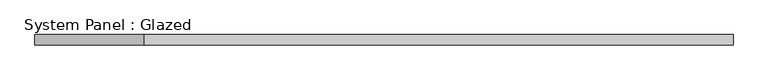
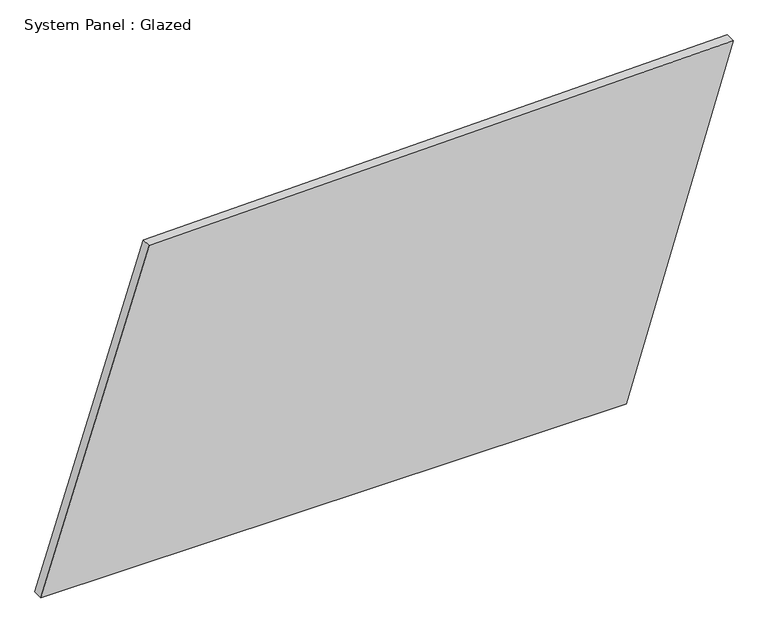
"""IFC4 building model written with IfcOpenShell, lengths in millimetres: plate geometry, System Panel : Glazed."""

import ifcopenshell
import ifcopenshell.guid

model = None  # the IFC model being written
_history = None  # IfcOwnerHistory: only IFC2X3 demands one
_inside = {}  # id of a spatial element -> (the spatial element, [elements in it])
_under = {}  # id of a project, library or spatial element -> (it, [spatial elements below it])
_declared = {}  # id of a project -> (the project, [libraries it declares])
_typed = {}  # id of a type object -> (the type object, [elements of that type])
_made_of = {}  # id of a material, layer set ... -> (it, [elements and type objects made of it])


def new_model(schema):
    """Start an empty IFC model of exactly this schema.

    Asked for "IFC4X3", IfcOpenShell would pick the latest addendum, in which some entities
    have other attributes; the version numbers below select the first issue.
    IFC2X3 requires an IfcOwnerHistory on every rooted entity: one is made here for all.
    """
    global model, _history
    if schema == "IFC4X3":
        model = ifcopenshell.file(schema_version=(4, 3, 0, 0))
    else:
        model = ifcopenshell.file(schema=schema)
    _inside.clear()
    _under.clear()
    _declared.clear()
    _typed.clear()
    _made_of.clear()
    _history = None
    if model.schema == "IFC2X3":
        org = make("IfcOrganization", Name="unknown")
        user = make(
            "IfcPersonAndOrganization",
            ThePerson=make("IfcPerson", FamilyName="unknown"),
            TheOrganization=org,
        )
        app = make(
            "IfcApplication",
            ApplicationDeveloper=org,
            Version="unknown",
            ApplicationFullName="unknown",
            ApplicationIdentifier="unknown",
        )
        _history = make(
            "IfcOwnerHistory",
            OwningUser=user,
            OwningApplication=app,
            ChangeAction="ADDED",
            CreationDate=0,
        )
    return model


def make(cls, **values):
    """One entity of the class cls with the attributes given. An attribute that is None is left unset."""
    return model.create_entity(
        cls, **{name: value for name, value in values.items() if value is not None}
    )


def rooted(cls, **values):
    """An entity with a GlobalId (a new one), such as an element, a storey or a relation."""
    return make(cls, GlobalId=ifcopenshell.guid.new(), OwnerHistory=_history, **values)


def si_unit(unit_type, name, prefix=None):
    """IfcSIUnit, for example si_unit("LENGTHUNIT", "METRE", prefix="MILLI")."""
    return make("IfcSIUnit", UnitType=unit_type, Prefix=prefix, Name=name)


def assignment(units):
    """IfcUnitAssignment: the units of a project."""
    return None if units is None else make("IfcUnitAssignment", Units=units)


def point(xyz):
    """IfcCartesianPoint."""
    return None if xyz is None else make("IfcCartesianPoint", Coordinates=xyz)


def direction(xyz):
    """IfcDirection."""
    return None if xyz is None else make("IfcDirection", DirectionRatios=xyz)


def frame(location, z_axis=None, x_axis=None):
    """IfcAxis2Placement3D, a coordinate frame: its origin and axes. An axis left out is left unset."""
    return make(
        "IfcAxis2Placement3D",
        Location=point(location),
        Axis=direction(z_axis),
        RefDirection=direction(x_axis),
    )


def origin():
    """The frame at (0, 0, 0) with its axes left unset."""
    return frame((0.0, 0.0, 0.0))


def place(relative_to, where):
    """IfcLocalPlacement: puts the frame where relative to a parent placement (None: the world)."""
    return make(
        "IfcLocalPlacement", PlacementRelTo=relative_to, RelativePlacement=where
    )


def context(
    kind, dimensions, precision=None, world=None, true_north=None, identifier=None
):
    """IfcGeometricRepresentationContext, for example the 3D "Model" context."""
    return make(
        "IfcGeometricRepresentationContext",
        ContextIdentifier=identifier,
        ContextType=kind,
        CoordinateSpaceDimension=dimensions,
        Precision=precision,
        WorldCoordinateSystem=world,
        TrueNorth=true_north,
    )


def project(units=None, contexts=None):
    """IfcProject with its units and contexts."""
    return rooted(
        "IfcProject",
        Name="project",
        RepresentationContexts=contexts,
        UnitsInContext=assignment(units),
    )


def spatial(cls, under=None, at=None, **own):
    """A site, building, storey or space (cls), placed at a placement, below another one or the project."""
    s = rooted(cls, ObjectPlacement=at, **own)
    if under is not None:
        _under.setdefault(under.id(), (under, []))[1].append(s)
    return s


def polyline(points):
    """IfcPolyline through the points."""
    return make("IfcPolyline", Points=[point(p) for p in points])


def outline(outer, holes=None, kind="AREA"):
    """IfcArbitraryClosedProfileDef: a profile drawn as a closed curve; with holes, ...WithVoids."""
    if holes is None:
        return make("IfcArbitraryClosedProfileDef", ProfileType=kind, OuterCurve=outer)
    return make(
        "IfcArbitraryProfileDefWithVoids",
        ProfileType=kind,
        OuterCurve=outer,
        InnerCurves=holes,
    )


def extrude(swept, where, along, depth):
    """IfcExtrudedAreaSolid: the profile swept, set in the frame where, extruded along a direction by depth."""
    return make(
        "IfcExtrudedAreaSolid",
        SweptArea=swept,
        Position=where,
        ExtrudedDirection=direction(along),
        Depth=depth,
    )


def shape(context_of_items, identifier, shape_type, items):
    """IfcShapeRepresentation: the items that make up one representation, for example the "Body"."""
    return make(
        "IfcShapeRepresentation",
        ContextOfItems=context_of_items,
        RepresentationIdentifier=identifier,
        RepresentationType=shape_type,
        Items=items,
    )


def source(mapping_origin, context_of_items, identifier, shape_type, items):
    """IfcRepresentationMap: a shape defined once, which mapped items show again and again."""
    return make(
        "IfcRepresentationMap",
        MappingOrigin=mapping_origin,
        MappedRepresentation=shape(context_of_items, identifier, shape_type, items),
    )


def transform(
    local_origin,
    x_axis=None,
    y_axis=None,
    z_axis=None,
    scale=None,
    scale2=None,
    scale3=None,
    uniform=True,
):
    """IfcCartesianTransformationOperator3D, or its non-uniform kind. x_axis, y_axis, z_axis: its Axis1, 2, 3."""
    if uniform:
        return make(
            "IfcCartesianTransformationOperator3D",
            Axis1=direction(x_axis),
            Axis2=direction(y_axis),
            LocalOrigin=point(local_origin),
            Scale=scale,
            Axis3=direction(z_axis),
        )
    return make(
        "IfcCartesianTransformationOperator3DnonUniform",
        Axis1=direction(x_axis),
        Axis2=direction(y_axis),
        LocalOrigin=point(local_origin),
        Scale=scale,
        Axis3=direction(z_axis),
        Scale2=scale2,
        Scale3=scale3,
    )


def mapped(mapping_source, mapping_target):
    """IfcMappedItem: shows the shape of a source again, moved by a transform."""
    return make(
        "IfcMappedItem", MappingSource=mapping_source, MappingTarget=mapping_target
    )


def made_of(thing, what):
    """Note that an element or type object is made of a material, layer set ...; save() writes the relation."""
    if what is not None:
        _made_of.setdefault(what.id(), (what, []))[1].append(thing)
    return thing


def element(
    cls,
    number,
    at=None,
    inside=None,
    cuts=None,
    type_object=None,
    material=None,
    context=None,
    identifier="Body",
    shape_type=None,
    held_by="IfcProductDefinitionShape",
    body=None,
    shapes=None,
    **own,
):
    """One element of the class cls, such as IfcWall. Its Tag is "e" and its number.

    at: its placement. inside: the storey or other place that contains it. cuts: it is an
    opening in that element (IfcRelVoidsElement). A single representation is given by context,
    identifier, shape_type and body (its items); several are given by shapes. held_by: the class
    of the entity that holds the representations. save() writes the other relations.
    """
    e = rooted(cls, Tag="e%d" % number, ObjectPlacement=at, **own)
    if body is not None:
        shapes = [shape(context, identifier, shape_type, body)]
    if shapes is not None:
        e.Representation = make(held_by, Representations=shapes)
    if inside is not None:
        _inside.setdefault(inside.id(), (inside, []))[1].append(e)
    if cuts is not None:
        rooted(
            "IfcRelVoidsElement", RelatingBuildingElement=cuts, RelatedOpeningElement=e
        )
    if type_object is not None:
        _typed.setdefault(type_object.id(), (type_object, []))[1].append(e)
    return made_of(e, material)


def aggregate(whole, parts):
    """IfcRelAggregates: a whole, such as a stair, and the parts it consists of."""
    return rooted("IfcRelAggregates", RelatingObject=whole, RelatedObjects=parts)


def save(model, path):
    """Write the relations noted so far, then the file.

    IfcRelAggregates (storeys below a building ...), IfcRelContainedInSpatialStructure (elements
    in a storey), IfcRelDefinesByType, IfcRelAssociatesMaterial and IfcRelDeclares: one each for
    every whole, place, type object, material and project.
    """
    for whole, parts in _under.values():
        aggregate(whole, parts)
    for where, things in _inside.values():
        rooted(
            "IfcRelContainedInSpatialStructure",
            RelatedElements=things,
            RelatingStructure=where,
        )
    for kind, things in _typed.values():
        rooted("IfcRelDefinesByType", RelatedObjects=things, RelatingType=kind)
    for what, things in _made_of.values():
        rooted("IfcRelAssociatesMaterial", RelatedObjects=things, RelatingMaterial=what)
    for by, libraries in _declared.values():
        rooted("IfcRelDeclares", RelatingContext=by, RelatedDefinitions=libraries)
    model.write(path)


def system_panel_glazed_41257381(model_context):
    return source(origin(), model_context, "Body", "SweptSolid", [
        extrude(outline(polyline([(0.0, -853.0342157), (0.0, 589.3496764), (854.7855673, 853.0342157), (823.9465344, -585.8242907), (0.0, -853.0342157)])), frame((0.0, -49.5, 0.0), z_axis=(0.0, 1.0, 0.0), x_axis=(0.0, 0.0, 1.0)), (0.0, 0.0, 1.0), 25.0),
    ])


if __name__ == "__main__":
    model = new_model("IFC4")
    model_context = context("Model", 3, world=origin())
    ifc_project = project(units=[si_unit("LENGTHUNIT", "METRE", prefix="MILLI")], contexts=[model_context])
    site = spatial("IfcSite", under=ifc_project)
    building = spatial("IfcBuilding", under=site)
    placement = place(None, origin())
    system_panel_glazed_shape = system_panel_glazed_41257381(model_context)
    element("IfcPlate", 1, ObjectType="System Panel : Glazed", at=placement, inside=building, context=model_context, shape_type="MappedRepresentation", body=[
        mapped(system_panel_glazed_shape, transform((0.0, 0.0, 0.0), x_axis=(1.0, 0.0, 0.0), y_axis=(0.0, 1.0, 0.0), z_axis=(0.0, 0.0, 1.0))),
    ])
    save(model, "model.ifc")
